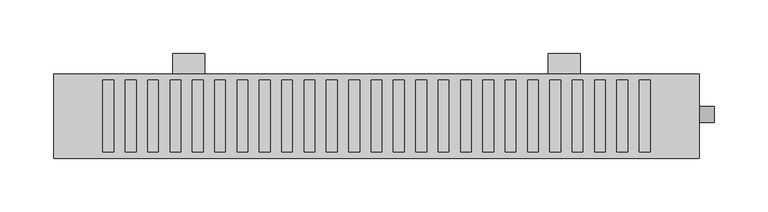
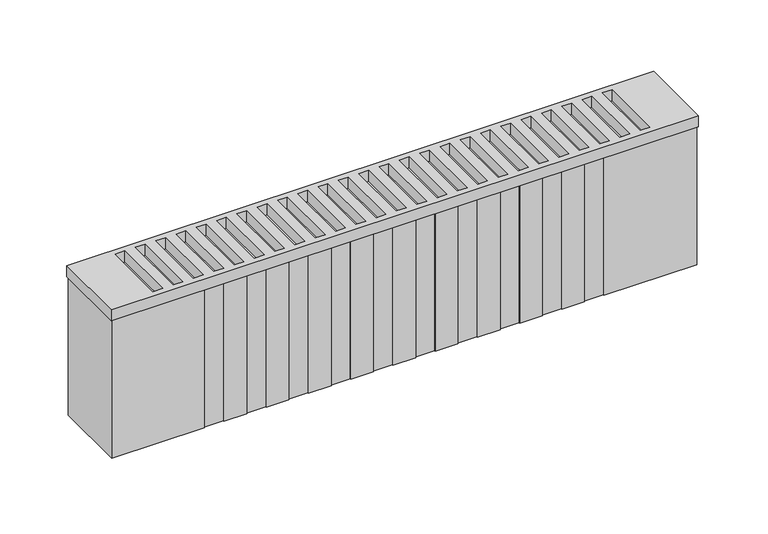
"""IFC4 building model written with IfcOpenShell, lengths in millimetres: proxy geometry."""

from ifc_helpers import new_model, si_unit, point, frame, frame_2d, origin, place, context, project, spatial, polyline, circle_curve, trimmed, segment, composite_curve, outline, extrude, source, transform, mapped, element, save


def mechanical_equipment_4d4145ff(model_context):
    return source(origin(), model_context, "Body", "SweptSolid", [
        extrude(outline(polyline([(0.0, 230.0), (0.0, 100.0), (0.0, 80.0), (-35.0, 80.0), (-50.0, 100.0), (-20.0, 100.0), (-20.0, 230.0), (0.0, 230.0)])), frame((260.0, 0.0, 0.0), z_axis=(1.0, 0.0, 0.0), x_axis=(0.0, 1.0, 0.0)), (0.0, 0.0, 1.0), 30.0),
        extrude(outline(polyline([(0.0, 230.0), (0.0, 100.0), (0.0, 80.0), (-35.0, 80.0), (-50.0, 100.0), (-20.0, 100.0), (-20.0, 230.0), (0.0, 230.0)])), frame((-90.0, 0.0, 0.0), z_axis=(1.0, 0.0, 0.0), x_axis=(0.0, 1.0, 0.0)), (0.0, 0.0, 1.0), 30.0),
        extrude(outline(polyline([(401.0, -19.0), (401.0, -98.0), (-201.0, -98.0), (-201.0, -19.0), (401.0, -19.0)]), holes=[polyline([(345.0, -92.0), (355.0, -92.0), (355.0, -25.0), (345.0, -25.0), (345.0, -92.0)]), polyline([(-134.1666667, -92.0), (-124.1666667, -92.0), (-124.1666667, -25.0), (-134.1666667, -25.0), (-134.1666667, -92.0)]), polyline([(-113.3333333, -92.0), (-103.3333333, -92.0), (-103.3333333, -25.0), (-113.3333333, -25.0), (-113.3333333, -92.0)]), polyline([(-92.5, -92.0), (-82.5, -92.0), (-82.5, -25.0), (-92.5, -25.0), (-92.5, -92.0)]), polyline([(-71.6666667, -92.0), (-61.6666667, -92.0), (-61.6666667, -25.0), (-71.6666667, -25.0), (-71.6666667, -92.0)]), polyline([(-50.8333333, -92.0), (-40.8333333, -92.0), (-40.8333333, -25.0), (-50.8333333, -25.0), (-50.8333333, -92.0)]), polyline([(-30.0, -92.0), (-20.0, -92.0), (-20.0, -25.0), (-30.0, -25.0), (-30.0, -92.0)]), polyline([(-9.1666667, -92.0), (0.8333333, -92.0), (0.8333333, -25.0), (-9.1666667, -25.0), (-9.1666667, -92.0)]), polyline([(11.6666667, -92.0), (21.6666667, -92.0), (21.6666667, -25.0), (11.6666667, -25.0), (11.6666667, -92.0)]), polyline([(32.5, -92.0), (42.5, -92.0), (42.5, -25.0), (32.5, -25.0), (32.5, -92.0)]), polyline([(53.3333333, -92.0), (63.3333333, -92.0), (63.3333333, -25.0), (53.3333333, -25.0), (53.3333333, -92.0)]), polyline([(74.1666667, -92.0), (84.1666667, -92.0), (84.1666667, -25.0), (74.1666667, -25.0), (74.1666667, -92.0)]), polyline([(95.0, -92.0), (105.0, -92.0), (105.0, -25.0), (95.0, -25.0), (95.0, -92.0)]), polyline([(115.8333333, -92.0), (125.8333333, -92.0), (125.8333333, -25.0), (115.8333333, -25.0), (115.8333333, -92.0)]), polyline([(136.6666667, -92.0), (146.6666667, -92.0), (146.6666667, -25.0), (136.6666667, -25.0), (136.6666667, -92.0)]), polyline([(157.5, -92.0), (167.5, -92.0), (167.5, -25.0), (157.5, -25.0), (157.5, -92.0)]), polyline([(178.3333333, -92.0), (188.3333333, -92.0), (188.3333333, -25.0), (178.3333333, -25.0), (178.3333333, -92.0)]), polyline([(199.1666667, -92.0), (209.1666667, -92.0), (209.1666667, -25.0), (199.1666667, -25.0), (199.1666667, -92.0)]), polyline([(220.0, -92.0), (230.0, -92.0), (230.0, -25.0), (220.0, -25.0), (220.0, -92.0)]), polyline([(240.8333333, -92.0), (250.8333333, -92.0), (250.8333333, -25.0), (240.8333333, -25.0), (240.8333333, -92.0)]), polyline([(261.6666667, -92.0), (271.6666667, -92.0), (271.6666667, -25.0), (261.6666667, -25.0), (261.6666667, -92.0)]), polyline([(282.5, -92.0), (292.5, -92.0), (292.5, -25.0), (282.5, -25.0), (282.5, -92.0)]), polyline([(303.3333333, -92.0), (313.3333333, -92.0), (313.3333333, -25.0), (303.3333333, -25.0), (303.3333333, -92.0)]), polyline([(324.1666667, -92.0), (334.1666667, -92.0), (334.1666667, -25.0), (324.1666667, -25.0), (324.1666667, -92.0)]), polyline([(-155.0, -92.0), (-145.0, -92.0), (-145.0, -25.0), (-155.0, -25.0), (-155.0, -92.0)])]), frame((0.0, 0.0, 250.0), z_axis=(0.0, 0.0, 1.0), x_axis=(1.0, 0.0, 0.0)), (0.0, 0.0, 1.0), 12.0),
        extrude(outline(composite_curve([segment(trimmed(circle_curve(frame_2d((-57.0, 138.5)), 7.5), [point((-64.5, 138.5))], [point((-49.5, 138.5))], False, "CARTESIAN"), True, "CONTINUOUS"), segment(trimmed(circle_curve(frame_2d((-57.0, 138.5)), 7.5), [point((-49.5, 138.5))], [point((-64.5, 138.5))], False, "CARTESIAN"), True, "CONTINUOUS")], self_intersect=False)), frame((310.0, 0.0, 0.0), z_axis=(1.0, 0.0, 0.0), x_axis=(0.0, 1.0, 0.0)), (0.0, 0.0, 1.0), 105.0),
        extrude(outline(composite_curve([segment(trimmed(circle_curve(frame_2d((-57.0, 218.5)), 7.5), [point((-64.5, 218.5))], [point((-49.5, 218.5))], False, "CARTESIAN"), True, "CONTINUOUS"), segment(trimmed(circle_curve(frame_2d((-57.0, 218.5)), 7.5), [point((-49.5, 218.5))], [point((-64.5, 218.5))], False, "CARTESIAN"), True, "CONTINUOUS")], self_intersect=False)), frame((310.0, 0.0, 0.0), z_axis=(1.0, 0.0, 0.0), x_axis=(0.0, 1.0, 0.0)), (0.0, 0.0, 1.0), 105.0),
        extrude(outline(polyline([(400.0, -20.0), (400.0, -97.0), (305.0, -97.0), (305.0, -96.0), (285.0, -96.0), (285.0, -97.0), (261.6666667, -97.0), (261.6666667, -96.0), (241.6666667, -96.0), (241.6666667, -97.0), (218.3333333, -97.0), (218.3333333, -96.0), (198.3333333, -96.0), (198.3333333, -97.0), (175.0, -97.0), (175.0, -96.0), (155.0, -96.0), (155.0, -97.0), (131.6666667, -97.0), (131.6666667, -96.0), (111.6666667, -96.0), (111.6666667, -97.0), (88.3333333, -97.0), (88.3333333, -96.0), (68.3333333, -96.0), (68.3333333, -97.0), (45.0, -97.0), (45.0, -96.0), (25.0, -96.0), (25.0, -97.0), (1.6666667, -97.0), (1.6666667, -96.0), (-18.3333333, -96.0), (-18.3333333, -97.0), (-41.6666667, -97.0), (-41.6666667, -96.0), (-61.6666667, -96.0), (-61.6666667, -97.0), (-85.0, -97.0), (-85.0, -96.0), (-105.0, -96.0), (-105.0, -97.0), (-200.0, -97.0), (-200.0, -20.0), (400.0, -20.0)])), frame((0.0, 0.0, 100.0), z_axis=(0.0, 0.0, 1.0), x_axis=(1.0, 0.0, 0.0)), (0.0, 0.0, 1.0), 150.0),
    ])


if __name__ == "__main__":
    model = new_model("IFC4")
    model_context = context("Model", 3, world=origin())
    ifc_project = project(units=[si_unit("LENGTHUNIT", "METRE", prefix="MILLI")], contexts=[model_context])
    site = spatial("IfcSite", under=ifc_project)
    building = spatial("IfcBuilding", under=site)
    placement = place(None, origin())
    mechanical_equipment_shape = mechanical_equipment_4d4145ff(model_context)
    element("IfcBuildingElementProxy", 1, Name="Mechanical Equipment", at=placement, inside=building, context=model_context, shape_type="MappedRepresentation", body=[
        mapped(mechanical_equipment_shape, transform((0.0, 0.0, 0.0), x_axis=(1.0, 0.0, 0.0), y_axis=(0.0, 1.0, 0.0), z_axis=(0.0, 0.0, 1.0))),
    ])
    save(model, "model.ifc")
